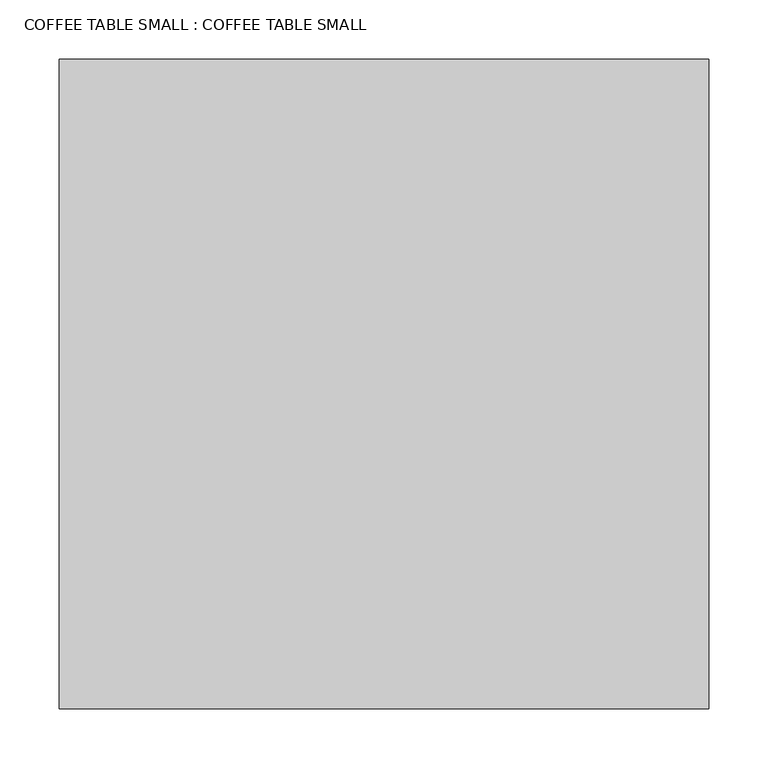
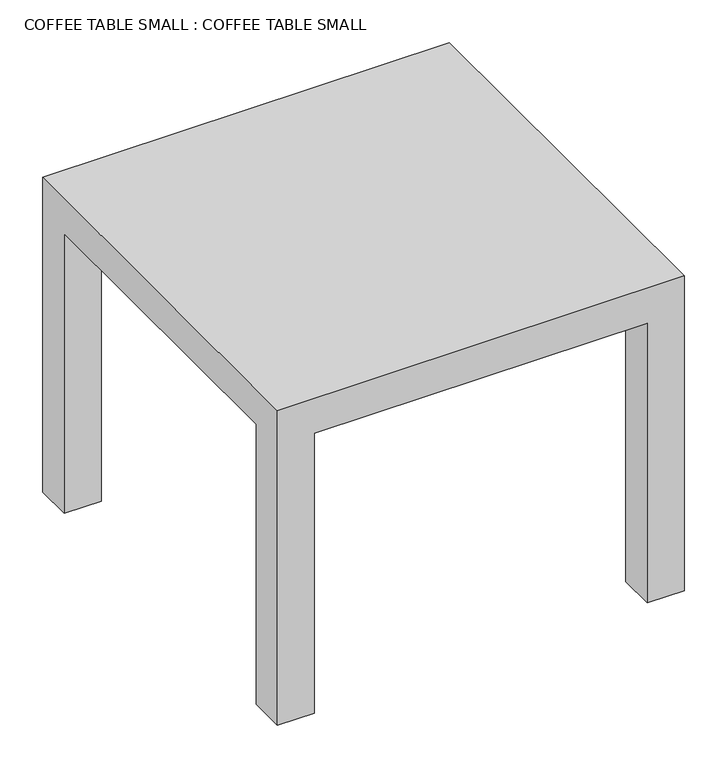
"""IFC4 building model written with IfcOpenShell, lengths in millimetres: proxy geometry, COFFEE TABLE SMALL : COFFEE TABLE SMALL."""

from ifc_helpers import new_model, si_unit, origin, place, context, project, spatial, faceted_brep, source, transform, mapped, element, save


def coffee_table_small_coffee_table_small_e6a419d3(model_context):
    return source(origin(), model_context, "Body", "Brep", [
        faceted_brep([(-225.0, 225.0, 400.0), (-275.0, 225.0, 400.0), (-275.0, 225.0, 0.0), (-225.0, 225.0, 0.0), (-225.0, 275.0, 400.0), (-225.0, 275.0, 0.0), (-275.0, 275.0, 0.0), (275.0, 225.0, 400.0), (225.0, 225.0, 400.0), (225.0, 225.0, 0.0), (275.0, 225.0, 0.0), (225.0, 275.0, 400.0), (225.0, 275.0, 0.0), (275.0, 275.0, 0.0), (275.0, -225.0, 400.0), (225.0, -225.0, 400.0), (225.0, -275.0, 400.0), (-225.0, -275.0, 400.0), (-225.0, -225.0, 400.0), (-275.0, -225.0, 400.0), (275.0, -225.0, 0.0), (225.0, -225.0, 0.0), (225.0, -275.0, 0.0), (275.0, -275.0, 0.0), (-225.0, -225.0, 0.0), (-275.0, -225.0, 0.0), (-225.0, -275.0, 0.0), (-275.0, -275.0, 0.0), (-275.0, -275.0, 450.0), (-275.0, 275.0, 450.0), (275.0, 275.0, 450.0), (275.0, -275.0, 450.0)], [[[0, 1, 2, 3]], [[4, 0, 3, 5]], [[6, 5, 3, 2]], [[7, 8, 9, 10]], [[8, 11, 12, 9]], [[12, 13, 10, 9]], [[0, 4, 11, 8, 7, 14, 15, 16, 17, 18, 19, 1]], [[15, 14, 20, 21]], [[16, 15, 21, 22]], [[23, 22, 21, 20]], [[19, 18, 24, 25]], [[18, 17, 26, 24]], [[26, 27, 25, 24]], [[28, 29, 6, 2, 1, 19, 25, 27]], [[29, 30, 13, 12, 11, 4, 5, 6]], [[30, 31, 23, 20, 14, 7, 10, 13]], [[31, 28, 27, 26, 17, 16, 22, 23]], [[29, 28, 31, 30]]]),
    ])


if __name__ == "__main__":
    model = new_model("IFC4")
    model_context = context("Model", 3, world=origin())
    ifc_project = project(units=[si_unit("LENGTHUNIT", "METRE", prefix="MILLI")], contexts=[model_context])
    site = spatial("IfcSite", under=ifc_project)
    building = spatial("IfcBuilding", under=site)
    placement = place(None, origin())
    coffee_table_small_coffee_table_small_shape = coffee_table_small_coffee_table_small_e6a419d3(model_context)
    element("IfcBuildingElementProxy", 1, Name="COFFEE TABLE SMALL : COFFEE TABLE SMALL", ObjectType="COFFEE TABLE SMALL : COFFEE TABLE SMALL", at=placement, inside=building, context=model_context, shape_type="MappedRepresentation", body=[
        mapped(coffee_table_small_coffee_table_small_shape, transform((0.0, 0.0, 0.0), x_axis=(1.0, 0.0, 0.0), y_axis=(0.0, 1.0, 0.0), z_axis=(0.0, 0.0, 1.0))),
    ])
    save(model, "model.ifc")
